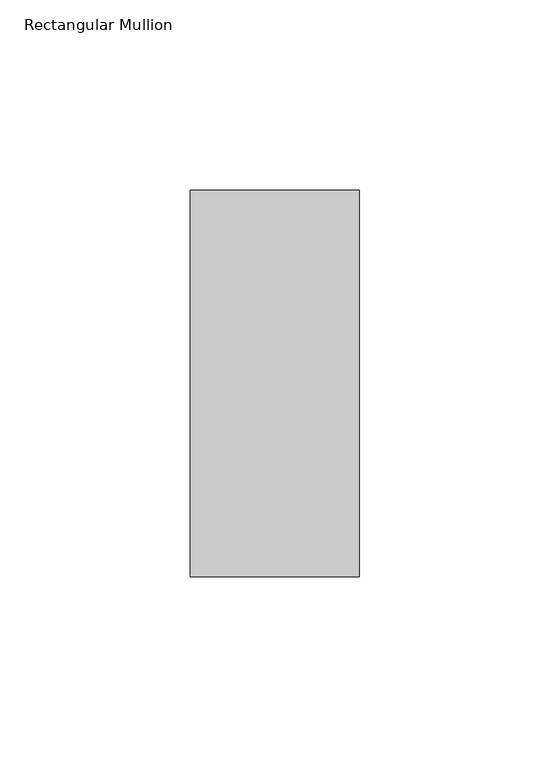
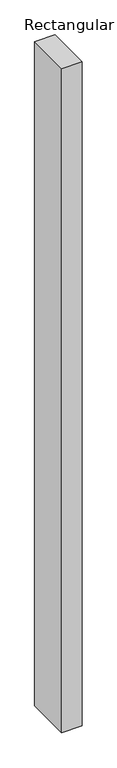
"""IFC4 building model written with IfcOpenShell, lengths in millimetres: member geometry, Rectangular Mullion."""

import ifcopenshell
import ifcopenshell.guid

model = None  # the IFC model being written
_history = None  # IfcOwnerHistory: only IFC2X3 demands one
_inside = {}  # id of a spatial element -> (the spatial element, [elements in it])
_under = {}  # id of a project, library or spatial element -> (it, [spatial elements below it])
_declared = {}  # id of a project -> (the project, [libraries it declares])
_typed = {}  # id of a type object -> (the type object, [elements of that type])
_made_of = {}  # id of a material, layer set ... -> (it, [elements and type objects made of it])


def new_model(schema):
    """Start an empty IFC model of exactly this schema.

    Asked for "IFC4X3", IfcOpenShell would pick the latest addendum, in which some entities
    have other attributes; the version numbers below select the first issue.
    IFC2X3 requires an IfcOwnerHistory on every rooted entity: one is made here for all.
    """
    global model, _history
    if schema == "IFC4X3":
        model = ifcopenshell.file(schema_version=(4, 3, 0, 0))
    else:
        model = ifcopenshell.file(schema=schema)
    _inside.clear()
    _under.clear()
    _declared.clear()
    _typed.clear()
    _made_of.clear()
    _history = None
    if model.schema == "IFC2X3":
        org = make("IfcOrganization", Name="unknown")
        user = make(
            "IfcPersonAndOrganization",
            ThePerson=make("IfcPerson", FamilyName="unknown"),
            TheOrganization=org,
        )
        app = make(
            "IfcApplication",
            ApplicationDeveloper=org,
            Version="unknown",
            ApplicationFullName="unknown",
            ApplicationIdentifier="unknown",
        )
        _history = make(
            "IfcOwnerHistory",
            OwningUser=user,
            OwningApplication=app,
            ChangeAction="ADDED",
            CreationDate=0,
        )
    return model


def make(cls, **values):
    """One entity of the class cls with the attributes given. An attribute that is None is left unset."""
    return model.create_entity(
        cls, **{name: value for name, value in values.items() if value is not None}
    )


def rooted(cls, **values):
    """An entity with a GlobalId (a new one), such as an element, a storey or a relation."""
    return make(cls, GlobalId=ifcopenshell.guid.new(), OwnerHistory=_history, **values)


def si_unit(unit_type, name, prefix=None):
    """IfcSIUnit, for example si_unit("LENGTHUNIT", "METRE", prefix="MILLI")."""
    return make("IfcSIUnit", UnitType=unit_type, Prefix=prefix, Name=name)


def assignment(units):
    """IfcUnitAssignment: the units of a project."""
    return None if units is None else make("IfcUnitAssignment", Units=units)


def point(xyz):
    """IfcCartesianPoint."""
    return None if xyz is None else make("IfcCartesianPoint", Coordinates=xyz)


def direction(xyz):
    """IfcDirection."""
    return None if xyz is None else make("IfcDirection", DirectionRatios=xyz)


def frame(location, z_axis=None, x_axis=None):
    """IfcAxis2Placement3D, a coordinate frame: its origin and axes. An axis left out is left unset."""
    return make(
        "IfcAxis2Placement3D",
        Location=point(location),
        Axis=direction(z_axis),
        RefDirection=direction(x_axis),
    )


def origin():
    """The frame at (0, 0, 0) with its axes left unset."""
    return frame((0.0, 0.0, 0.0))


def place(relative_to, where):
    """IfcLocalPlacement: puts the frame where relative to a parent placement (None: the world)."""
    return make(
        "IfcLocalPlacement", PlacementRelTo=relative_to, RelativePlacement=where
    )


def context(
    kind, dimensions, precision=None, world=None, true_north=None, identifier=None
):
    """IfcGeometricRepresentationContext, for example the 3D "Model" context."""
    return make(
        "IfcGeometricRepresentationContext",
        ContextIdentifier=identifier,
        ContextType=kind,
        CoordinateSpaceDimension=dimensions,
        Precision=precision,
        WorldCoordinateSystem=world,
        TrueNorth=true_north,
    )


def project(units=None, contexts=None):
    """IfcProject with its units and contexts."""
    return rooted(
        "IfcProject",
        Name="project",
        RepresentationContexts=contexts,
        UnitsInContext=assignment(units),
    )


def spatial(cls, under=None, at=None, **own):
    """A site, building, storey or space (cls), placed at a placement, below another one or the project."""
    s = rooted(cls, ObjectPlacement=at, **own)
    if under is not None:
        _under.setdefault(under.id(), (under, []))[1].append(s)
    return s


def polyline(points):
    """IfcPolyline through the points."""
    return make("IfcPolyline", Points=[point(p) for p in points])


def outline(outer, holes=None, kind="AREA"):
    """IfcArbitraryClosedProfileDef: a profile drawn as a closed curve; with holes, ...WithVoids."""
    if holes is None:
        return make("IfcArbitraryClosedProfileDef", ProfileType=kind, OuterCurve=outer)
    return make(
        "IfcArbitraryProfileDefWithVoids",
        ProfileType=kind,
        OuterCurve=outer,
        InnerCurves=holes,
    )


def extrude(swept, where, along, depth):
    """IfcExtrudedAreaSolid: the profile swept, set in the frame where, extruded along a direction by depth."""
    return make(
        "IfcExtrudedAreaSolid",
        SweptArea=swept,
        Position=where,
        ExtrudedDirection=direction(along),
        Depth=depth,
    )


def shape(context_of_items, identifier, shape_type, items):
    """IfcShapeRepresentation: the items that make up one representation, for example the "Body"."""
    return make(
        "IfcShapeRepresentation",
        ContextOfItems=context_of_items,
        RepresentationIdentifier=identifier,
        RepresentationType=shape_type,
        Items=items,
    )


def source(mapping_origin, context_of_items, identifier, shape_type, items):
    """IfcRepresentationMap: a shape defined once, which mapped items show again and again."""
    return make(
        "IfcRepresentationMap",
        MappingOrigin=mapping_origin,
        MappedRepresentation=shape(context_of_items, identifier, shape_type, items),
    )


def transform(
    local_origin,
    x_axis=None,
    y_axis=None,
    z_axis=None,
    scale=None,
    scale2=None,
    scale3=None,
    uniform=True,
):
    """IfcCartesianTransformationOperator3D, or its non-uniform kind. x_axis, y_axis, z_axis: its Axis1, 2, 3."""
    if uniform:
        return make(
            "IfcCartesianTransformationOperator3D",
            Axis1=direction(x_axis),
            Axis2=direction(y_axis),
            LocalOrigin=point(local_origin),
            Scale=scale,
            Axis3=direction(z_axis),
        )
    return make(
        "IfcCartesianTransformationOperator3DnonUniform",
        Axis1=direction(x_axis),
        Axis2=direction(y_axis),
        LocalOrigin=point(local_origin),
        Scale=scale,
        Axis3=direction(z_axis),
        Scale2=scale2,
        Scale3=scale3,
    )


def mapped(mapping_source, mapping_target):
    """IfcMappedItem: shows the shape of a source again, moved by a transform."""
    return make(
        "IfcMappedItem", MappingSource=mapping_source, MappingTarget=mapping_target
    )


def made_of(thing, what):
    """Note that an element or type object is made of a material, layer set ...; save() writes the relation."""
    if what is not None:
        _made_of.setdefault(what.id(), (what, []))[1].append(thing)
    return thing


def element(
    cls,
    number,
    at=None,
    inside=None,
    cuts=None,
    type_object=None,
    material=None,
    context=None,
    identifier="Body",
    shape_type=None,
    held_by="IfcProductDefinitionShape",
    body=None,
    shapes=None,
    **own,
):
    """One element of the class cls, such as IfcWall. Its Tag is "e" and its number.

    at: its placement. inside: the storey or other place that contains it. cuts: it is an
    opening in that element (IfcRelVoidsElement). A single representation is given by context,
    identifier, shape_type and body (its items); several are given by shapes. held_by: the class
    of the entity that holds the representations. save() writes the other relations.
    """
    e = rooted(cls, Tag="e%d" % number, ObjectPlacement=at, **own)
    if body is not None:
        shapes = [shape(context, identifier, shape_type, body)]
    if shapes is not None:
        e.Representation = make(held_by, Representations=shapes)
    if inside is not None:
        _inside.setdefault(inside.id(), (inside, []))[1].append(e)
    if cuts is not None:
        rooted(
            "IfcRelVoidsElement", RelatingBuildingElement=cuts, RelatedOpeningElement=e
        )
    if type_object is not None:
        _typed.setdefault(type_object.id(), (type_object, []))[1].append(e)
    return made_of(e, material)


def aggregate(whole, parts):
    """IfcRelAggregates: a whole, such as a stair, and the parts it consists of."""
    return rooted("IfcRelAggregates", RelatingObject=whole, RelatedObjects=parts)


def save(model, path):
    """Write the relations noted so far, then the file.

    IfcRelAggregates (storeys below a building ...), IfcRelContainedInSpatialStructure (elements
    in a storey), IfcRelDefinesByType, IfcRelAssociatesMaterial and IfcRelDeclares: one each for
    every whole, place, type object, material and project.
    """
    for whole, parts in _under.values():
        aggregate(whole, parts)
    for where, things in _inside.values():
        rooted(
            "IfcRelContainedInSpatialStructure",
            RelatedElements=things,
            RelatingStructure=where,
        )
    for kind, things in _typed.values():
        rooted("IfcRelDefinesByType", RelatedObjects=things, RelatingType=kind)
    for what, things in _made_of.values():
        rooted("IfcRelAssociatesMaterial", RelatedObjects=things, RelatingMaterial=what)
    for by, libraries in _declared.values():
        rooted("IfcRelDeclares", RelatingContext=by, RelatedDefinitions=libraries)
    model.write(path)


def rectangular_mullion_fbc7bfa8(model_context):
    return source(origin(), model_context, "Body", "SweptSolid", [
        extrude(outline(polyline([(0.0, 50.8), (0.0, -50.8), (-44.45, -50.8), (-44.45, 50.8), (0.0, 50.8)])), frame((0.0, 0.0, -1524.0), z_axis=(0.0, 0.0, 1.0), x_axis=(1.0, 0.0, 0.0)), (0.0, 0.0, 1.0), 1524.0),
    ])


if __name__ == "__main__":
    model = new_model("IFC4")
    model_context = context("Model", 3, world=origin())
    ifc_project = project(units=[si_unit("LENGTHUNIT", "METRE", prefix="MILLI")], contexts=[model_context])
    site = spatial("IfcSite", under=ifc_project)
    building = spatial("IfcBuilding", under=site)
    placement = place(None, origin())
    rectangular_mullion_shape = rectangular_mullion_fbc7bfa8(model_context)
    element("IfcMember", 1, ObjectType="Rectangular Mullion", at=placement, inside=building, context=model_context, shape_type="MappedRepresentation", body=[
        mapped(rectangular_mullion_shape, transform((0.0, 0.0, 0.0), x_axis=(1.0, 0.0, 0.0), y_axis=(0.0, 1.0, 0.0), z_axis=(0.0, 0.0, 1.0))),
    ])
    save(model, "model.ifc")
